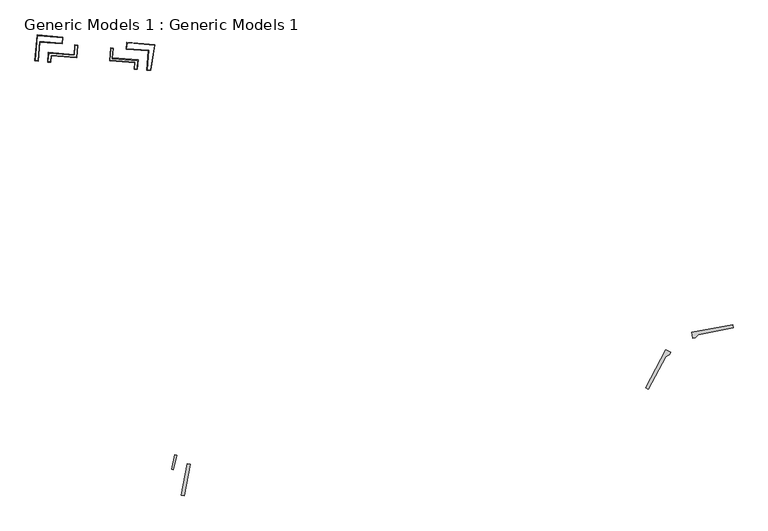
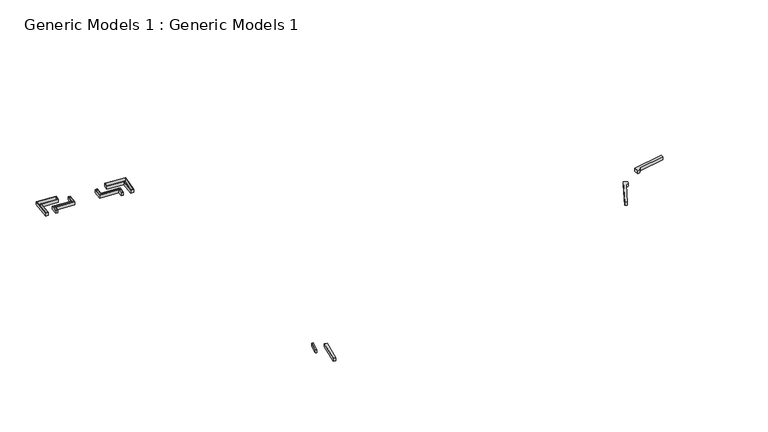
"""IFC4 building model written with IfcOpenShell, lengths in millimetres: proxy geometry, Generic Models 1 : Generic Models 1."""

from ifc_helpers import new_model, si_unit, origin, origin_with_axes, place, context, project, spatial, polyline, outline, extrude, source, transform, mapped, element, save


def generic_models_1_generic_models_1_390728a6(model_context):
    return source(origin(), model_context, "Body", "SweptSolid", [
        extrude(outline(polyline([(-268504.5346746, 5200.3694148), (-268749.618874, 2209.243864), (-269247.9488555, 2250.0755852), (-268915.1448693, 6311.7756433), (-264878.6088517, 5981.0335259), (-264989.9952196, 4912.39819), (-268504.5346746, 5200.3694148)]), holes=[polyline([(-264988.6688018, 5889.7163977), (-268823.6452172, 6203.9433028), (-269140.116515, 2341.5752372), (-268841.118526, 2317.0762045), (-268596.0343267, 5308.2017554), (-265079.3159624, 5020.051997), (-264988.6688018, 5889.7163977)])]), origin_with_axes(), (0.0, 0.0, 1.0), 680.0),
        extrude(outline(polyline([(-267254.6289292, 2086.7487004), (-267132.0868295, 3582.3114758), (-263144.5284698, 3255.5824464), (-263021.9712245, 4751.3300657), (-262548.159078, 4712.5072652), (-262711.5480445, 2718.4296643), (-266674.5885692, 3043.149773), (-266756.2989476, 2045.9169792), (-267254.6289292, 2086.7487004)]), holes=[polyline([(-267146.7965887, 2178.2483524), (-266847.7985997, 2153.7493197), (-266766.0882212, 3150.9821136), (-262803.0476966, 2826.2620049), (-262655.9914186, 4621.0076131), (-262930.4715724, 4643.4977252), (-263053.0288177, 3147.7501059), (-267040.5871775, 3474.4791352), (-267146.7965887, 2178.2483524)])]), origin_with_axes(), (0.0, 0.0, 1.0), 680.0),
        extrude(outline(polyline([(-257624.3432729, 2301.59878), (-257460.9543065, 4295.6763809), (-257042.3571219, 4261.3777351), (-257164.9143672, 2765.6301158), (-253177.7016839, 2438.9294101), (-253300.2437835, 943.3666347), (-253798.5737651, 984.1983559), (-253716.8633866, 1981.4311498), (-257624.3432729, 2301.59878)]), holes=[polyline([(-257150.1894625, 4169.878083), (-257369.4546544, 4187.8440403), (-257516.5109324, 2393.0984321), (-253609.0310461, 2072.9308018), (-253690.7414246, 1075.698008), (-253391.7434356, 1051.1989753), (-253293.7003686, 2247.7637618), (-257280.913052, 2574.4644674), (-257150.1894625, 4169.878083)])]), origin_with_axes(), (0.0, 0.0, 1.0), 680.0),
        extrude(outline(polyline([(-251560.2165755, 3811.4241913), (-255023.8135269, 4095.2213343), (-254912.3675597, 5164.4284633), (-250581.3490437, 4809.5572995), (-251213.6197372, 772.3946795), (-251805.2538388, 820.8714711), (-251560.2165755, 3811.4241913)]), holes=[polyline([(-251452.384235, 3902.9238434), (-251697.4214982, 912.3711232), (-251298.0416015, 879.6470865), (-250696.8002246, 4718.6819132), (-254823.0468169, 5056.7746563), (-254913.7535768, 4186.5384625), (-251452.384235, 3902.9238434)])]), origin_with_axes(), (0.0, 0.0, 1.0), 680.0),
        extrude(outline(polyline([(-170987.1036353, -43797.687218), (-173726.8624134, -48891.2182996), (-174136.3780213, -48670.94371), (-170972.0208518, -42717.3342536), (-170198.4984675, -43130.0674127), (-170414.5105829, -43536.485432), (-170987.1036353, -43797.687218)])), origin_with_axes(), (0.0, 0.0, 1.0), 680.0),
        extrude(outline(polyline([(-166962.6409793, -40036.5533724), (-160586.2082374, -38844.4505052), (-160496.4912144, -39336.3404537), (-165960.6542828, -40357.8903898), (-166378.1407466, -40843.7710449), (-166796.2834951, -40922.3045823), (-166962.6409793, -40036.5533724)])), origin_with_axes(), (0.0, 0.0, 1.0), 680.0),
        extrude(outline(polyline([(-247962.5158641, -61333.2624405), (-247463.0121344, -59122.5219287), (-247160.9305165, -59146.7787149), (-247668.8100861, -61394.589638), (-247962.5158641, -61333.2624405)])), origin_with_axes(), (0.0, 0.0, 1.0), 680.0),
        extrude(outline(polyline([(-246475.1821159, -65389.688865), (-245517.4228616, -60484.4734733), (-245026.6496717, -60580.085814), (-245984.8716433, -65487.6710371), (-246475.1821159, -65389.688865)])), origin_with_axes(), (0.0, 0.0, 1.0), 680.0),
    ])


if __name__ == "__main__":
    model = new_model("IFC4")
    model_context = context("Model", 3, world=origin())
    ifc_project = project(units=[si_unit("LENGTHUNIT", "METRE", prefix="MILLI")], contexts=[model_context])
    site = spatial("IfcSite", under=ifc_project)
    building = spatial("IfcBuilding", under=site)
    placement = place(None, origin())
    generic_models_1_generic_models_1_shape = generic_models_1_generic_models_1_390728a6(model_context)
    element("IfcBuildingElementProxy", 1, Name="Generic Models 1 : Generic Models 1", ObjectType="Generic Models 1 : Generic Models 1", at=placement, inside=building, context=model_context, shape_type="MappedRepresentation", body=[
        mapped(generic_models_1_generic_models_1_shape, transform((0.0, 0.0, 0.0), x_axis=(1.0, 0.0, 0.0), y_axis=(0.0, 1.0, 0.0), z_axis=(0.0, 0.0, 1.0))),
    ])
    save(model, "model.ifc")
